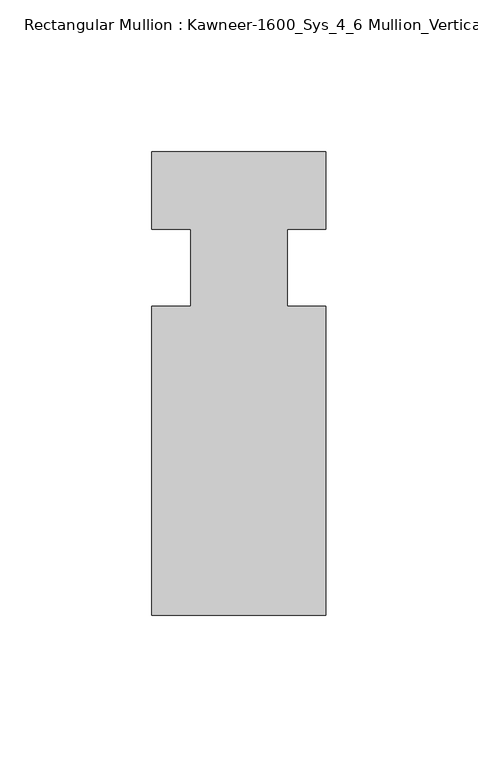
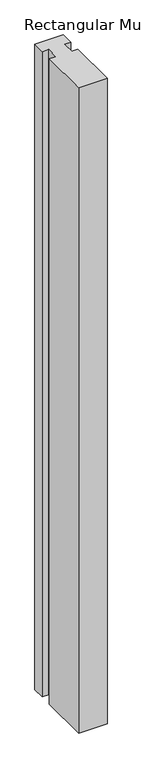
"""IFC4 building model written with IfcOpenShell, lengths in millimetres: member geometry, Rectangular Mullion : Kawneer-1600_Sys_4_6 Mullion_Vertical."""

from ifc_helpers import new_model, si_unit, frame, origin, place, context, project, spatial, polyline, outline, extrude, source, transform, mapped, element, save


def rectangular_mullion_kawneer_1600_sys_4_6_mullion_vertical_1eeb155f(model_context):
    return source(origin(), model_context, "Body", "SweptSolid", [
        extrude(outline(polyline([(32.9094027, -114.3), (-24.2405973, -114.3), (-24.2405973, -12.7), (-11.5405973, -12.7), (-11.5405973, 12.7), (-24.2405973, 12.7), (-24.2405973, 38.1), (32.9094027, 38.1), (32.9094027, 12.7), (20.2076322, 12.7), (20.2076322, -12.7), (32.9094027, -12.7), (32.9094027, -114.3)])), frame((0.0, 0.0, -1372.9805973), z_axis=(0.0, 0.0, 1.0), x_axis=(1.0, 0.0, 0.0)), (0.0, 0.0, 1.0), 1372.9805973),
    ])


if __name__ == "__main__":
    model = new_model("IFC4")
    model_context = context("Model", 3, world=origin())
    ifc_project = project(units=[si_unit("LENGTHUNIT", "METRE", prefix="MILLI")], contexts=[model_context])
    site = spatial("IfcSite", under=ifc_project)
    building = spatial("IfcBuilding", under=site)
    placement = place(None, origin())
    rectangular_mullion_kawneer_1600_sys_4_6_mullion_vertical_shape = rectangular_mullion_kawneer_1600_sys_4_6_mullion_vertical_1eeb155f(model_context)
    element("IfcMember", 1, ObjectType="Rectangular Mullion : Kawneer-1600_Sys_4_6 Mullion_Vertical", at=placement, inside=building, context=model_context, shape_type="MappedRepresentation", body=[
        mapped(rectangular_mullion_kawneer_1600_sys_4_6_mullion_vertical_shape, transform((0.0, 0.0, 0.0), x_axis=(1.0, 0.0, 0.0), y_axis=(0.0, 1.0, 0.0), z_axis=(0.0, 0.0, 1.0))),
    ])
    save(model, "model.ifc")
